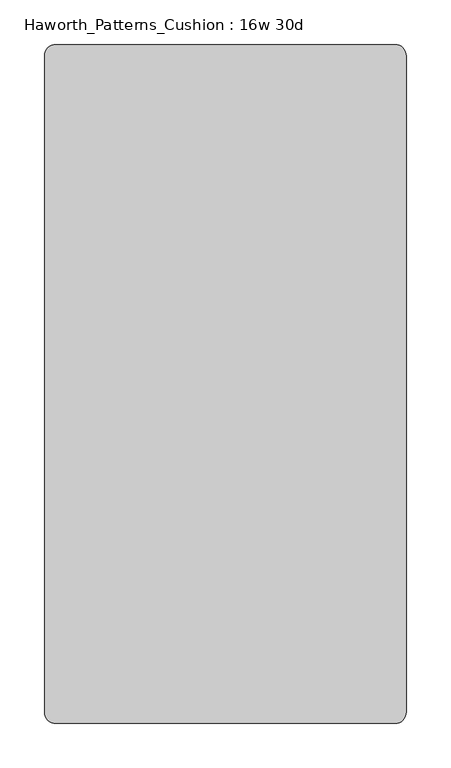
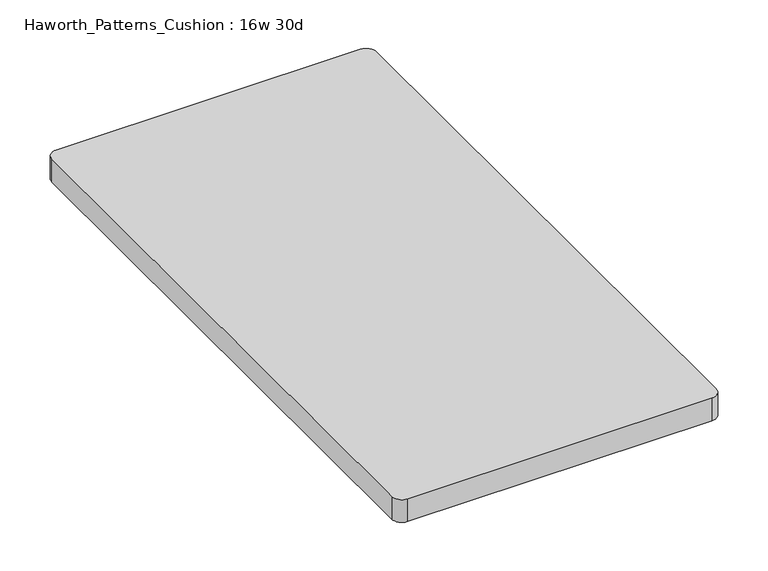
"""IFC4 building model written with IfcOpenShell, lengths in millimetres: furniture geometry, Haworth_Patterns_Cushion : 16w 30d."""

from ifc_helpers import new_model, si_unit, point, frame, frame_2d, origin, place, context, project, spatial, polyline, circle_curve, trimmed, segment, composite_curve, outline, extrude, source, transform, mapped, element, save


def haworth_patterns_cushion_16w_30d_67777d63(model_context):
    return source(origin(), model_context, "Body", "SweptSolid", [
        extrude(outline(composite_curve([segment(trimmed(circle_curve(frame_2d((190.5, 368.3)), 12.7), [point((190.5, 381.0))], [point((203.2, 368.3))], False, "CARTESIAN"), True, "CONTINUOUS"), segment(polyline([(203.2, 368.3), (203.2, -368.3)]), True, "CONTINUOUS"), segment(trimmed(circle_curve(frame_2d((190.5, -368.3)), 12.7), [point((203.2, -368.3))], [point((190.5, -381.0))], False, "CARTESIAN"), True, "CONTINUOUS"), segment(polyline([(190.5, -381.0), (-190.5, -381.0)]), True, "CONTINUOUS"), segment(trimmed(circle_curve(frame_2d((-190.5, -368.3)), 12.7), [point((-190.5, -381.0))], [point((-203.2, -368.3))], False, "CARTESIAN"), True, "CONTINUOUS"), segment(polyline([(-203.2, -368.3), (-203.2, 368.3)]), True, "CONTINUOUS"), segment(trimmed(circle_curve(frame_2d((-190.5, 368.3)), 12.7), [point((-203.2, 368.3))], [point((-190.5, 381.0))], False, "CARTESIAN"), True, "CONTINUOUS"), segment(polyline([(-190.5, 381.0), (190.5, 381.0)]), True, "CONTINUOUS")], self_intersect=False)), frame((0.0, 0.0, 609.6), z_axis=(0.0, 0.0, 1.0), x_axis=(1.0, 0.0, 0.0)), (0.0, 0.0, 1.0), 30.1625),
    ])


if __name__ == "__main__":
    model = new_model("IFC4")
    model_context = context("Model", 3, world=origin())
    ifc_project = project(units=[si_unit("LENGTHUNIT", "METRE", prefix="MILLI")], contexts=[model_context])
    site = spatial("IfcSite", under=ifc_project)
    building = spatial("IfcBuilding", under=site)
    placement = place(None, origin())
    haworth_patterns_cushion_16w_30d_shape = haworth_patterns_cushion_16w_30d_67777d63(model_context)
    element("IfcFurniture", 1, ObjectType="Haworth_Patterns_Cushion : 16w 30d", at=placement, inside=building, context=model_context, shape_type="MappedRepresentation", body=[
        mapped(haworth_patterns_cushion_16w_30d_shape, transform((0.0, 0.0, 0.0), x_axis=(1.0, 0.0, 0.0), y_axis=(0.0, 1.0, 0.0), z_axis=(0.0, 0.0, 1.0))),
    ])
    save(model, "model.ifc")
